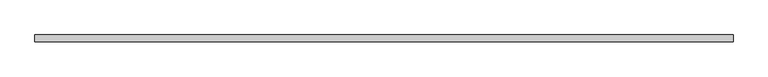
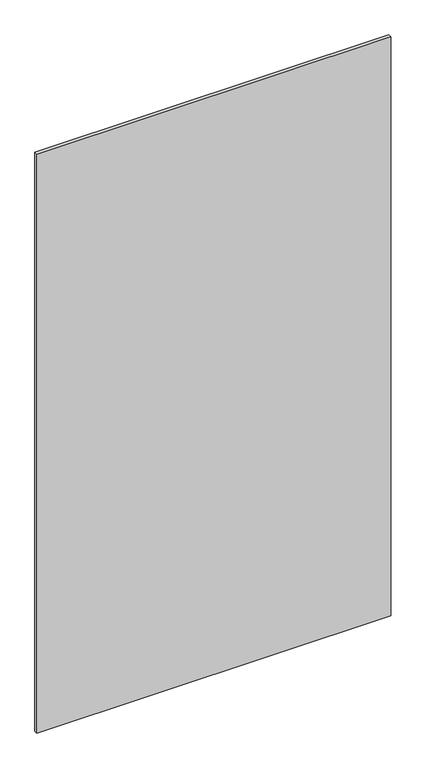
"""IFC4 building model written with IfcOpenShell, lengths in millimetres: plate geometry."""

from ifc_helpers import new_model, si_unit, origin, origin_with_axes, place, context, project, spatial, polyline, outline, extrude, source, transform, mapped, element, save


def plate_d4526762(model_context):
    return source(origin(), model_context, "Body", "SweptSolid", [
        extrude(outline(polyline([(632.5, 6.0), (632.5, -6.0), (-632.5, -6.0), (-632.5, 6.0), (632.5, 6.0)])), origin_with_axes(), (0.0, 0.0, 1.0), 2187.5),
    ])


if __name__ == "__main__":
    model = new_model("IFC4")
    model_context = context("Model", 3, world=origin())
    ifc_project = project(units=[si_unit("LENGTHUNIT", "METRE", prefix="MILLI")], contexts=[model_context])
    site = spatial("IfcSite", under=ifc_project)
    building = spatial("IfcBuilding", under=site)
    placement = place(None, origin())
    plate_shape = plate_d4526762(model_context)
    element("IfcPlate", 1, at=placement, inside=building, context=model_context, shape_type="MappedRepresentation", body=[
        mapped(plate_shape, transform((0.0, 0.0, 0.0), x_axis=(1.0, 0.0, 0.0), y_axis=(0.0, 1.0, 0.0), z_axis=(0.0, 0.0, 1.0))),
    ])
    save(model, "model.ifc")
